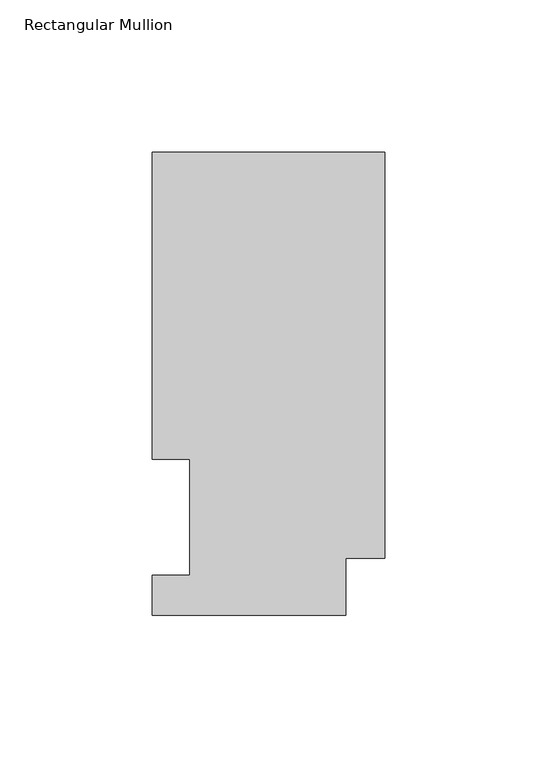
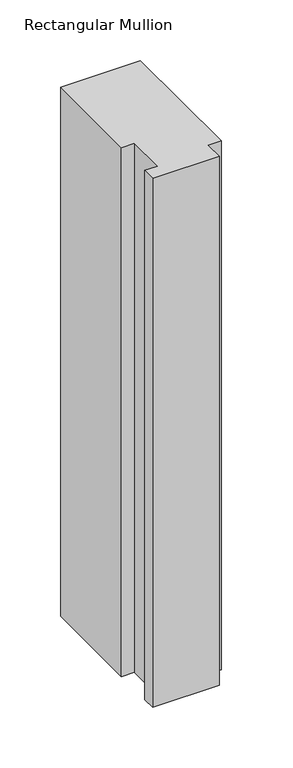
"""IFC4 building model written with IfcOpenShell, lengths in millimetres: member geometry, Rectangular Mullion."""

from ifc_helpers import new_model, si_unit, frame, origin, place, context, project, spatial, polyline, outline, extrude, source, transform, mapped, element, save


def rectangular_mullion_6a067382(model_context):
    return source(origin(), model_context, "Body", "SweptSolid", [
        extrude(outline(polyline([(-76.2, 151.9816937), (0.0, 151.9816937), (0.0, 18.7332937), (-12.7, 18.7332937), (-12.7, 0.0134937), (-76.2, 0.0134937), (-76.2, 13.1960938), (-63.8581605, 13.1960937), (-63.8581605, 51.2960938), (-76.2, 51.2960938), (-76.2, 151.9816937)])), frame((0.0, 0.0, -533.4134938), z_axis=(0.0, 0.0, 1.0), x_axis=(1.0, 0.0, 0.0)), (0.0, 0.0, 1.0), 533.4134938),
    ])


if __name__ == "__main__":
    model = new_model("IFC4")
    model_context = context("Model", 3, world=origin())
    ifc_project = project(units=[si_unit("LENGTHUNIT", "METRE", prefix="MILLI")], contexts=[model_context])
    site = spatial("IfcSite", under=ifc_project)
    building = spatial("IfcBuilding", under=site)
    placement = place(None, origin())
    rectangular_mullion_shape = rectangular_mullion_6a067382(model_context)
    element("IfcMember", 1, ObjectType="Rectangular Mullion", at=placement, inside=building, context=model_context, shape_type="MappedRepresentation", body=[
        mapped(rectangular_mullion_shape, transform((0.0, 0.0, 0.0), x_axis=(1.0, 0.0, 0.0), y_axis=(0.0, 1.0, 0.0), z_axis=(0.0, 0.0, 1.0))),
    ])
    save(model, "model.ifc")
